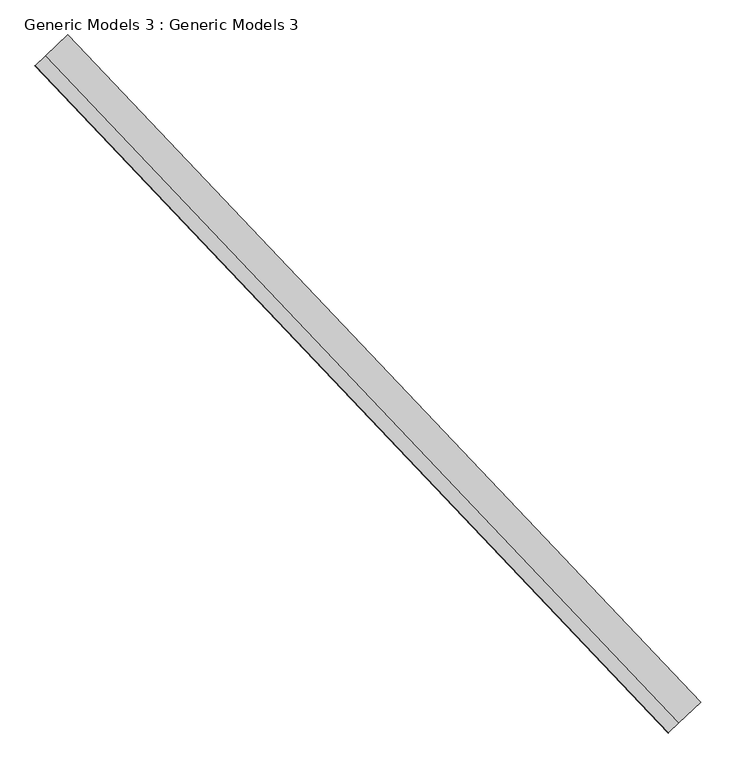
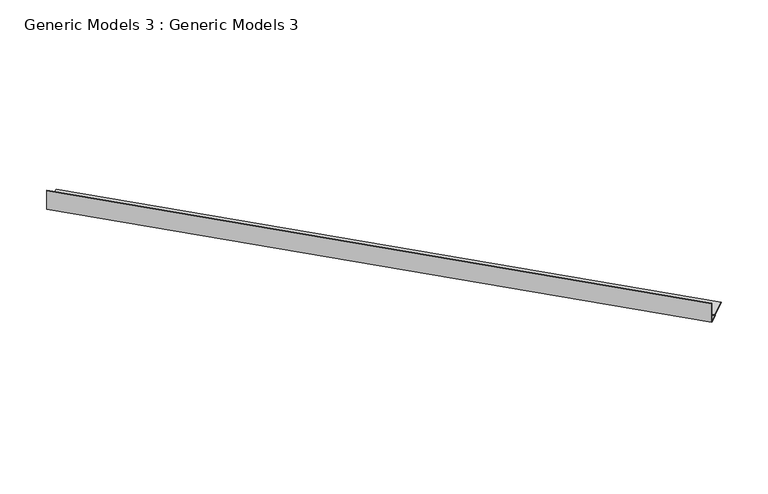
"""IFC4 building model written with IfcOpenShell, lengths in millimetres: proxy geometry, Generic Models 3 : Generic Models 3."""

from ifc_helpers import new_model, si_unit, frame, origin, place, context, project, spatial, polyline, outline, extrude, source, transform, mapped, element, save


def generic_models_3_generic_models_3_d32473b0(model_context):
    return source(origin(), model_context, "Body", "SweptSolid", [
        extrude(outline(polyline([(1.5875, 0.0), (1.5875, 286.1225885), (3.175, 286.1225885), (3.175, -1.5875), (-13.49375, -1.5875), (-13.49375, -144.4639028), (272.7597275, -144.4639028), (272.7597275, -146.0514028), (-15.08125, -146.0514028), (-15.08125, 0.0), (1.5875, 0.0)])), frame((113598.5235798, 53856.3169896, 17186.275), z_axis=(-0.6883545756937502, 0.7253743710122912, 0.0), x_axis=(0.0, 0.0, 1.0)), (0.0, 0.0, 1.0), 8832.85),
    ])


if __name__ == "__main__":
    model = new_model("IFC4")
    model_context = context("Model", 3, world=origin())
    ifc_project = project(units=[si_unit("LENGTHUNIT", "METRE", prefix="MILLI")], contexts=[model_context])
    site = spatial("IfcSite", under=ifc_project)
    building = spatial("IfcBuilding", under=site)
    placement = place(None, origin())
    generic_models_3_generic_models_3_shape = generic_models_3_generic_models_3_d32473b0(model_context)
    element("IfcBuildingElementProxy", 1, Name="Generic Models 3 : Generic Models 3", ObjectType="Generic Models 3 : Generic Models 3", at=placement, inside=building, context=model_context, shape_type="MappedRepresentation", body=[
        mapped(generic_models_3_generic_models_3_shape, transform((0.0, 0.0, 0.0), x_axis=(1.0, 0.0, 0.0), y_axis=(0.0, 1.0, 0.0), z_axis=(0.0, 0.0, 1.0))),
    ])
    save(model, "model.ifc")
